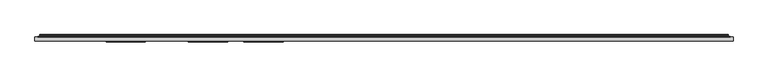
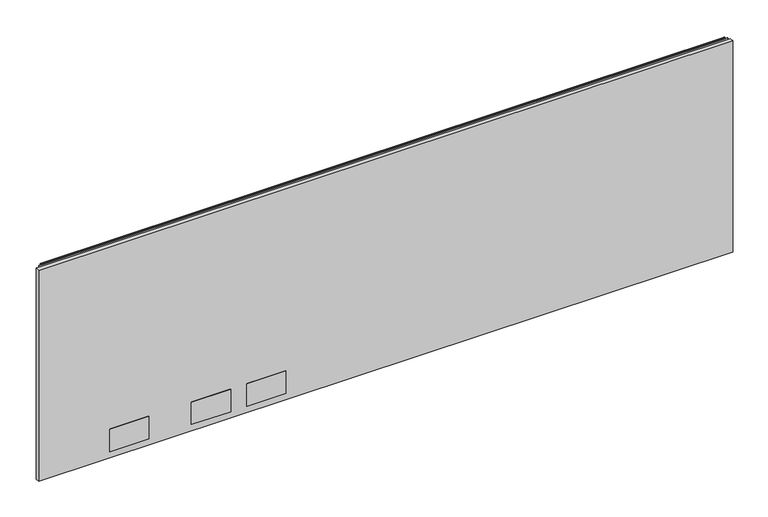
"""IFC4 building model written with IfcOpenShell, lengths in millimetres: furniture geometry."""

from ifc_helpers import new_model, si_unit, point, frame, frame_2d, origin, place, context, project, spatial, polyline, circle_curve, trimmed, segment, composite_curve, outline, extrude, source, transform, mapped, element, save


def furniture_ece783cc(model_context):
    return source(origin(), model_context, "Body", "SweptSolid", [
        extrude(outline(polyline([(1.778, 1.45288), (1.778, 10.9778796), (1674.6219835, 10.9778796), (1674.6219835, 1.45288), (1.778, 1.45288)])), frame((0.0, 0.0, 16.0528), z_axis=(0.0, 0.0, 1.0), x_axis=(1.0, 0.0, 0.0)), (0.0, 0.0, 1.0), 537.9592871),
        extrude(outline(polyline([(266.572991, -0.57912), (172.3390082, -0.57912), (172.3390082, 1.45288), (266.572991, 1.45288), (266.572991, -0.57912)])), frame((0.0, 0.0, 33.5787996), z_axis=(0.0, 0.0, 1.0), x_axis=(1.0, 0.0, 0.0)), (0.0, 0.0, 1.0), 56.6420005),
        extrude(outline(polyline([(463.422985, -0.57912), (369.188984, -0.57912), (369.188984, 1.45288), (463.422985, 1.45288), (463.422985, -0.57912)])), frame((0.0, 0.0, 33.5787996), z_axis=(0.0, 0.0, 1.0), x_axis=(1.0, 0.0, 0.0)), (0.0, 0.0, 1.0), 56.6420005),
        extrude(outline(polyline([(596.772985, -0.57912), (502.538984, -0.57912), (502.538984, 1.45288), (596.772985, 1.45288), (596.772985, -0.57912)])), frame((0.0, 0.0, 33.5787996), z_axis=(0.0, 0.0, 1.0), x_axis=(1.0, 0.0, 0.0)), (0.0, 0.0, 1.0), 56.6420005),
        extrude(outline(composite_curve([segment(polyline([(10.9778796, 558.4381024), (10.9778796, 559.3805903)]), True, "CONTINUOUS"), segment(trimmed(circle_curve(frame_2d((11.6164846, 559.3805903)), 0.638605), [point((10.9778796, 559.3805903))], [point((11.6164846, 560.0191953))], False, "CARTESIAN"), True, "CONTINUOUS"), segment(polyline([(11.6164846, 560.0191953), (13.251317, 560.0191953)]), True, "CONTINUOUS"), segment(trimmed(circle_curve(frame_2d((13.251317, 557.6458753)), 2.37332), [point((13.251317, 560.0191953))], [point((15.6071079, 557.3579575))], False, "CARTESIAN"), True, "CONTINUOUS"), segment(polyline([(15.6071079, 557.3579575), (15.2080413, 554.0927287)]), True, "CONTINUOUS"), segment(trimmed(circle_curve(frame_2d((17.5068753, 553.8117719)), 2.3159393), [point((15.2080413, 554.0927287))], [point((15.5012134, 552.6538018))], True, "CARTESIAN"), True, "CONTINUOUS"), segment(polyline([(15.5012134, 552.6538018), (16.6600675, 550.6466087), (15.9781592, 550.2529085), (14.819305, 552.2601016)]), True, "CONTINUOUS"), segment(trimmed(circle_curve(frame_2d((17.5068753, 553.8117719)), 3.1033393), [point((14.819305, 552.2601016))], [point((14.4264569, 554.1882516))], False, "CARTESIAN"), True, "CONTINUOUS"), segment(polyline([(14.4264569, 554.1882516), (14.8255236, 557.4534804)]), True, "CONTINUOUS"), segment(trimmed(circle_curve(frame_2d((13.251317, 557.6458753)), 1.58592), [point((14.8255236, 557.4534804))], [point((13.251317, 559.2317953))], True, "CARTESIAN"), True, "CONTINUOUS"), segment(polyline([(13.251317, 559.2317953), (11.7652796, 559.2317953), (11.7652796, 558.4381024), (10.9778796, 558.4381024)]), True, "CONTINUOUS")], self_intersect=False)), frame((13.7160002, 0.0, 0.0), z_axis=(1.0, 0.0, 0.0), x_axis=(0.0, 1.0, 0.0)), (0.0, 0.0, 1.0), 1648.9680076),
        extrude(outline(polyline([(8.1280002, 10.9778796), (8.1280002, 11.7652796), (1668.2720078, 11.7652796), (1668.2720078, 10.9778796), (8.1280002, 10.9778796)])), frame((0.0, 0.0, 527.7612079), z_axis=(0.0, 0.0, 1.0), x_axis=(1.0, 0.0, 0.0)), (0.0, 0.0, 1.0), 30.8009179),
    ])


if __name__ == "__main__":
    model = new_model("IFC4")
    model_context = context("Model", 3, world=origin())
    ifc_project = project(units=[si_unit("LENGTHUNIT", "METRE", prefix="MILLI")], contexts=[model_context])
    site = spatial("IfcSite", under=ifc_project)
    building = spatial("IfcBuilding", under=site)
    placement = place(None, origin())
    furniture_shape = furniture_ece783cc(model_context)
    element("IfcFurniture", 1, at=placement, inside=building, context=model_context, shape_type="MappedRepresentation", body=[
        mapped(furniture_shape, transform((0.0, 0.0, 0.0), x_axis=(1.0, 0.0, 0.0), y_axis=(0.0, 1.0, 0.0), z_axis=(0.0, 0.0, 1.0))),
    ])
    save(model, "model.ifc")
